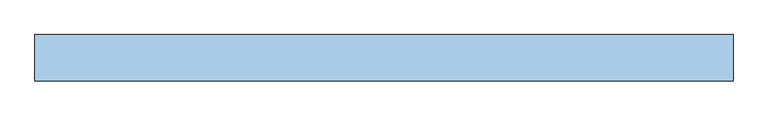
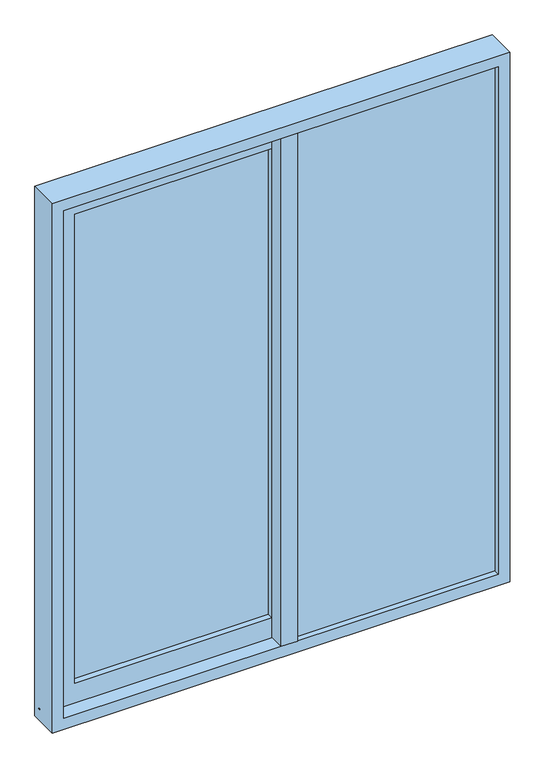
"""IFC4 building model written with IfcOpenShell, lengths in millimetres: window geometry."""

from ifc_helpers import new_model, si_unit, point, frame, frame_2d, origin, place, context, project, spatial, polyline, circle_curve, trimmed, segment, composite_curve, outline, extrude, faceted_brep, source, transform, mapped, element, save


def window_2ceaa837(model_context):
    return source(origin(), model_context, "Body", "SolidModel", [
        extrude(outline(composite_curve([segment(polyline([(33.6, 45.0), (25.6, 45.0)]), True, "CONTINUOUS"), segment(trimmed(circle_curve(frame_2d((29.6, 45.0)), 4.0), [point((25.6, 45.0))], [point((33.6, 45.0))], False, "CARTESIAN"), True, "CONTINUOUS")], self_intersect=False)), frame((-900.0, 0.0, 0.0), z_axis=(1.0, 0.0, 0.0), x_axis=(0.0, 1.0, 0.0)), (0.0, 0.0, 1.0), 1800.0),
        extrude(outline(polyline([(64.9, -59.6), (0.0, -59.6), (0.0, 1.4), (17.0, 1.4), (17.0, -4.6), (28.0, -4.6), (28.0, 0.6), (34.0, 0.6), (34.0, -1.4), (30.9, -1.4), (30.9, -9.6), (64.9, -9.6), (64.9, -59.6)])), frame((0.0, 0.0, 45.0), z_axis=(0.0, 0.0, 1.0), x_axis=(1.0, 0.0, 0.0)), (0.0, 0.0, 1.0), 2110.0),
        extrude(outline(polyline([(855.0, -35.7), (64.9, -35.7), (64.9, -29.7), (855.0, -29.7), (855.0, -35.7)])), frame((0.0, 0.0, 45.0), z_axis=(0.0, 0.0, 1.0), x_axis=(1.0, 0.0, 0.0)), (0.0, 0.0, 1.0), 2110.0),
        extrude(outline(polyline([(855.0, -23.7), (64.9, -23.7), (64.9, -17.7), (855.0, -17.7), (855.0, -23.7)])), frame((0.0, 0.0, 45.0), z_axis=(0.0, 0.0, 1.0), x_axis=(1.0, 0.0, 0.0)), (0.0, 0.0, 1.0), 2110.0),
        extrude(outline(polyline([(0.0, 28.3), (-774.5, 28.3), (-774.5, 34.3), (0.0, 34.3), (0.0, 28.3)])), frame((0.0, 0.0, 125.5), z_axis=(0.0, 0.0, 1.0), x_axis=(1.0, 0.0, 0.0)), (0.0, 0.0, 1.0), 1949.0),
        extrude(outline(polyline([(0.0, 40.3), (-774.5, 40.3), (-774.5, 46.3), (0.0, 46.3), (0.0, 40.3)])), frame((0.0, 0.0, 125.5), z_axis=(0.0, 0.0, 1.0), x_axis=(1.0, 0.0, 0.0)), (0.0, 0.0, 1.0), 1949.0),
        faceted_brep([(64.9, 54.3208355, 34.0), (64.9, -6.6791645, 34.0), (47.9, -6.6791645, 34.0), (47.9, -0.6791645, 34.0), (36.9, -0.6791645, 34.0), (36.9, -5.8791645, 34.0), (30.9, -5.8791645, 34.0), (30.9, -3.8791645, 34.0), (34.0, -3.8791645, 34.0), (34.0, 4.3208355, 34.0), (-866.0, 4.3208355, 34.0), (-866.0, 9.3208355, 34.0), (0.0, 9.3208355, 34.0), (0.0, 49.3208355, 34.0), (-866.0, 49.3208355, 34.0), (-866.0, 54.3208355, 34.0), (64.9, 54.3208355, 2155.0), (64.9, -6.6791645, 2155.0), (47.9, -6.6791645, 2155.0), (47.9, -0.6791645, 2155.0), (36.9, -0.6791645, 2155.0), (36.9, -5.8791645, 2155.0), (30.9, -5.8791645, 2155.0), (30.9, -3.8791645, 2155.0), (34.0, -3.8791645, 2155.0), (34.0, 4.3208355, 2155.0), (0.0, 4.3208355, 2155.0), (0.0, 4.3208355, 2166.0), (-866.0, 4.3208355, 2166.0), (0.0, 4.3208355, 2074.5), (0.0, 4.3208355, 125.5), (-774.5, 4.3208355, 125.5), (-774.5, 4.3208355, 2074.5), (-866.0, 9.3208355, 2166.0), (0.0, 9.3208355, 2136.3), (-836.3, 9.3208355, 2136.3), (-836.3, 9.3208355, 63.7), (0.0, 9.3208355, 63.7), (0.0, 9.3208355, 2166.0), (0.0, 9.3208355, 2155.0), (0.0, 17.3208355, 63.7), (0.0, 17.3208355, 79.7), (0.0, 41.3208355, 79.7), (0.0, 41.3208355, 63.7), (0.0, 49.3208355, 63.7), (0.0, 54.3208355, 2074.5), (0.0, 54.3208355, 125.5), (0.0, 49.3208355, 2155.0), (0.0, 49.3208355, 2136.3), (0.0, 41.3208355, 2136.3), (0.0, 41.3208355, 2120.3), (0.0, 17.3208355, 2120.3), (0.0, 17.3208355, 2136.3), (0.0, 49.3208355, 2166.0), (-866.0, 49.3208355, 2166.0), (-836.3, 49.3208355, 63.7), (-836.3, 49.3208355, 2136.3), (-866.0, 54.3208355, 2166.0), (0.0, 54.3208355, 2155.0), (0.0, 54.3208355, 2166.0), (-774.5, 54.3208355, 2074.5), (-774.5, 54.3208355, 125.5), (-836.3, 17.3208355, 63.7), (-820.3, 17.3208355, 2120.3), (-820.3, 17.3208355, 79.7), (-836.3, 17.3208355, 2136.3), (-820.3, 41.3208355, 79.7), (-836.3, 41.3208355, 2136.3), (-836.3, 41.3208355, 63.7), (-820.3, 41.3208355, 2120.3)], [[[0, 1, 2, 3, 4, 5, 6, 7, 8, 9, 10, 11, 12, 13, 14, 15]], [[16, 17, 1, 0]], [[17, 18, 2, 1]], [[18, 19, 3, 2]], [[19, 20, 4, 3]], [[20, 21, 5, 4]], [[21, 22, 6, 5]], [[22, 23, 7, 6]], [[23, 24, 8, 7]], [[24, 25, 9, 8]], [[25, 26, 27, 28, 10, 9], [29, 30, 31, 32]], [[33, 11, 10, 28]], [[34, 35, 36, 37, 12, 11, 33, 38, 39]], [[13, 12, 37, 40, 41, 42, 43, 44]], [[45, 46, 30, 29]], [[39, 47, 48, 49, 50, 51, 52, 34]], [[53, 54, 14, 13, 44, 55, 56, 48, 47]], [[57, 15, 14, 54]], [[58, 16, 0, 15, 57, 59], [46, 45, 60, 61]], [[62, 40, 37, 36]], [[51, 63, 64, 41, 40, 62, 65, 52]], [[66, 42, 41, 64]], [[49, 67, 68, 43, 42, 66, 69, 50]], [[55, 44, 43, 68]], [[46, 61, 31, 30]], [[61, 60, 32, 31]], [[56, 55, 68, 67]], [[69, 66, 64, 63]], [[65, 62, 36, 35]], [[26, 25, 24, 23, 22, 21, 20, 19, 18, 17, 16, 58, 47, 39]], [[59, 53, 47, 58]], [[38, 27, 26, 39]], [[53, 59, 57, 54]], [[48, 56, 67, 49]], [[50, 69, 63, 51]], [[52, 65, 35, 34]], [[27, 38, 33, 28]], [[60, 45, 29, 32]]]),
        faceted_brep([(900.0, -59.6, 2200.0), (900.0, -59.6, 0.0), (900.0, 59.6, 0.0), (900.0, 59.6, 2200.0), (-900.0, -59.6, 0.0), (-900.0, 59.6, 0.0), (-900.0, -59.6, 2200.0), (855.0, -59.6, 2155.0), (855.0, -59.6, 45.0), (-855.0, -59.6, 45.0), (-855.0, -59.6, 2155.0), (-900.0, 59.6, 2200.0), (-855.0, 59.6, 2155.0), (-855.0, 59.6, 17.0), (855.0, 59.6, 17.0), (855.0, 59.6, 2155.0), (-855.0, 55.6, 2155.0), (-855.0, 55.6, 17.0), (-882.0, 48.6, 17.0), (882.0, 48.6, 17.0), (882.0, 55.6, 17.0), (855.0, 55.6, 17.0), (-882.0, 55.6, 17.0), (855.0, 55.6, 2155.0), (882.0, 55.6, 2182.0), (-882.0, 55.6, 2182.0), (882.0, 33.6, 2182.0), (882.0, 48.6, 18.0), (882.0, 33.6, 18.0), (-882.0, 33.6, 2182.0), (-882.0, 33.6, 18.0), (-882.0, 48.6, 18.0), (863.0, 33.6, 37.0), (863.0, 33.6, 2163.0), (-863.0, 33.6, 2163.0), (-863.0, 33.6, 37.0), (863.0, 45.6, 2163.0), (863.0, 45.6, 37.0), (-863.0, 45.6, 37.0), (-863.0, 45.6, 2163.0), (857.0, 45.6, 43.0), (857.0, 45.6, 2157.0), (-857.0, 45.6, 2157.0), (-857.0, 45.6, 43.0), (855.0, 43.6, 2155.0), (855.0, 43.6, 45.0), (-855.0, 43.6, 45.0), (855.0, 15.6, 45.0), (855.0, 15.6, 2155.0), (-855.0, 15.6, 45.0), (857.0, 13.6, 43.0), (857.0, 13.6, 2157.0), (-857.0, 13.6, 43.0), (863.0, 13.6, 37.0), (863.0, 13.6, 2163.0), (-863.0, 13.6, 2163.0), (-863.0, 13.6, 37.0), (-857.0, 13.6, 2157.0), (863.0, 25.6, 2163.0), (863.0, 25.6, 37.0), (-863.0, 25.6, 37.0), (882.0, 25.6, 18.0), (882.0, 25.6, 2182.0), (-882.0, 25.6, 2182.0), (-882.0, 25.6, 18.0), (-863.0, 25.6, 2163.0), (882.0, 1.4, 2182.0), (882.0, 1.4, 18.0), (-882.0, 1.4, 18.0), (-882.0, 1.4, 2182.0), (855.0, 1.4, 45.0), (855.0, 1.4, 2155.0), (-855.0, 1.4, 2155.0), (-855.0, 1.4, 45.0), (-855.0, 43.6, 2155.0), (-855.0, 15.6, 2155.0)], [[[0, 1, 2, 3]], [[2, 1, 4, 5]], [[1, 0, 6, 4], [7, 8, 9, 10]], [[5, 4, 6, 11]], [[2, 5, 11, 3], [12, 13, 14, 15]], [[12, 16, 17, 13]], [[18, 19, 20, 21, 14, 13, 17, 22]], [[23, 15, 14, 21]], [[16, 23, 21, 20, 24, 25, 22, 17]], [[26, 24, 20, 19, 27, 28]], [[29, 30, 31, 18, 22, 25]], [[26, 28, 30, 29], [32, 33, 34, 35]], [[28, 27, 31, 30]], [[31, 27, 19, 18]], [[36, 33, 32, 37]], [[37, 32, 35, 38]], [[36, 37, 38, 39], [40, 41, 42, 43]], [[44, 41, 40, 45]], [[45, 40, 43, 46]], [[44, 45, 47, 48]], [[47, 45, 46, 49]], [[48, 47, 50, 51]], [[50, 47, 49, 52]], [[53, 54, 55, 56], [51, 50, 52, 57]], [[58, 54, 53, 59]], [[59, 53, 56, 60]], [[61, 62, 63, 64], [58, 59, 60, 65]], [[66, 62, 61, 67]], [[67, 61, 64, 68]], [[66, 67, 68, 69], [70, 71, 72, 73]], [[7, 71, 70, 8]], [[8, 70, 73, 9]], [[38, 35, 34, 39]], [[46, 43, 42, 74]], [[49, 46, 74, 75]], [[52, 49, 75, 57]], [[60, 56, 55, 65]], [[68, 64, 63, 69]], [[9, 73, 72, 10]], [[12, 15, 23, 16]], [[29, 25, 24, 26]], [[33, 36, 39, 34]], [[41, 44, 74, 42]], [[44, 48, 75, 74]], [[48, 51, 57, 75]], [[54, 58, 65, 55]], [[62, 66, 69, 63]], [[71, 7, 10, 72]], [[0, 3, 11, 6]]]),
    ])


if __name__ == "__main__":
    model = new_model("IFC4")
    model_context = context("Model", 3, world=origin())
    ifc_project = project(units=[si_unit("LENGTHUNIT", "METRE", prefix="MILLI")], contexts=[model_context])
    site = spatial("IfcSite", under=ifc_project)
    building = spatial("IfcBuilding", under=site)
    placement = place(None, origin())
    window_shape = window_2ceaa837(model_context)
    element("IfcWindow", 1, at=placement, inside=building, context=model_context, shape_type="MappedRepresentation", body=[
        mapped(window_shape, transform((0.0, 0.0, 0.0), x_axis=(1.0, 0.0, 0.0), y_axis=(0.0, 1.0, 0.0), z_axis=(0.0, 0.0, 1.0))),
    ])
    save(model, "model.ifc")
